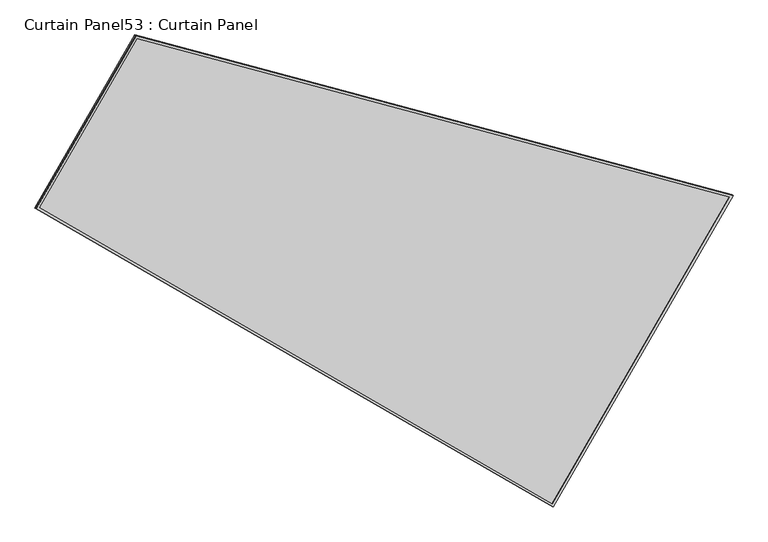
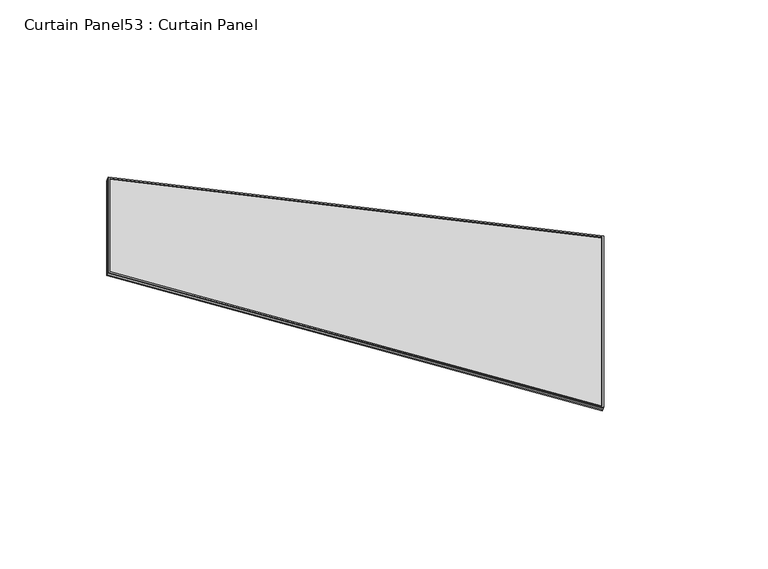
"""IFC4 building model written with IfcOpenShell, lengths in millimetres: plate geometry, Curtain Panel53 : Curtain Panel."""

from ifc_helpers import new_model, si_unit, frame, origin, place, context, project, spatial, polyline, outline, extrude, source, transform, mapped, element, save


def curtain_panel53_curtain_panel_a93db260(model_context):
    return source(origin(), model_context, "Body", "SweptSolid", [
        extrude(outline(polyline([(1625.9225981, -2842.276264), (722.5243657, -2842.276264), (0.0, 0.0), (1625.9225981, -1e-07), (1625.9225981, -2842.276264)]), holes=[polyline([(1614.8100981, -11.1125001), (14.2907959, -11.1125001), (731.1654279, -2831.1637641), (1614.8100981, -2831.1637641), (1614.8100981, -11.1125001)])]), frame((21658.9716273, -1189.4228629, -9.1397492), z_axis=(0.27379031486168665, -0.15807291198690993, 0.9487106081329109), x_axis=(-0.5000000000000074, -0.8660254037844344, 0.0)), (0.0, 0.0, 1.0), 4.8284778),
        extrude(outline(polyline([(1625.9225981, -2842.2762639), (722.5243658, -2842.276264), (0.0, 0.0), (1625.9225982, 0.0), (1625.9225981, -2842.2762639)]), holes=[polyline([(1614.8100981, -11.1125), (14.2907959, -11.1125), (731.165428, -2831.163764), (1614.8100981, -2831.1637639), (1614.8100981, -11.1125)])]), frame((21654.1418742, -1186.6344036, -25.8753228), z_axis=(0.27379031486170124, -0.1580729119869194, 0.9487106081329048), x_axis=(-0.5000000000000089, -0.8660254037844335, 0.0)), (0.0, 0.0, 1.0), 4.8028605),
        extrude(outline(polyline([(25.6727144, 0.0), (1651.5953125, 0.0), (1651.5953126, -2842.276264), (748.1970803, -2842.276264), (25.6727144, 0.0)])), frame((21668.2932081, -1165.1603829, -21.3187982), z_axis=(0.2737903148616768, -0.15807291198690485, 0.9487106081329143), x_axis=(-0.5000000000000074, -0.8660254037844345, 0.0)), (0.0, 0.0, 1.0), 12.8374753),
    ])


if __name__ == "__main__":
    model = new_model("IFC4")
    model_context = context("Model", 3, world=origin())
    ifc_project = project(units=[si_unit("LENGTHUNIT", "METRE", prefix="MILLI")], contexts=[model_context])
    site = spatial("IfcSite", under=ifc_project)
    building = spatial("IfcBuilding", under=site)
    placement = place(None, origin())
    curtain_panel53_curtain_panel_shape = curtain_panel53_curtain_panel_a93db260(model_context)
    element("IfcPlate", 1, ObjectType="Curtain Panel53 : Curtain Panel", at=placement, inside=building, context=model_context, shape_type="MappedRepresentation", body=[
        mapped(curtain_panel53_curtain_panel_shape, transform((0.0, 0.0, 0.0), x_axis=(1.0, 0.0, 0.0), y_axis=(0.0, 1.0, 0.0), z_axis=(0.0, 0.0, 1.0))),
    ])
    save(model, "model.ifc")
